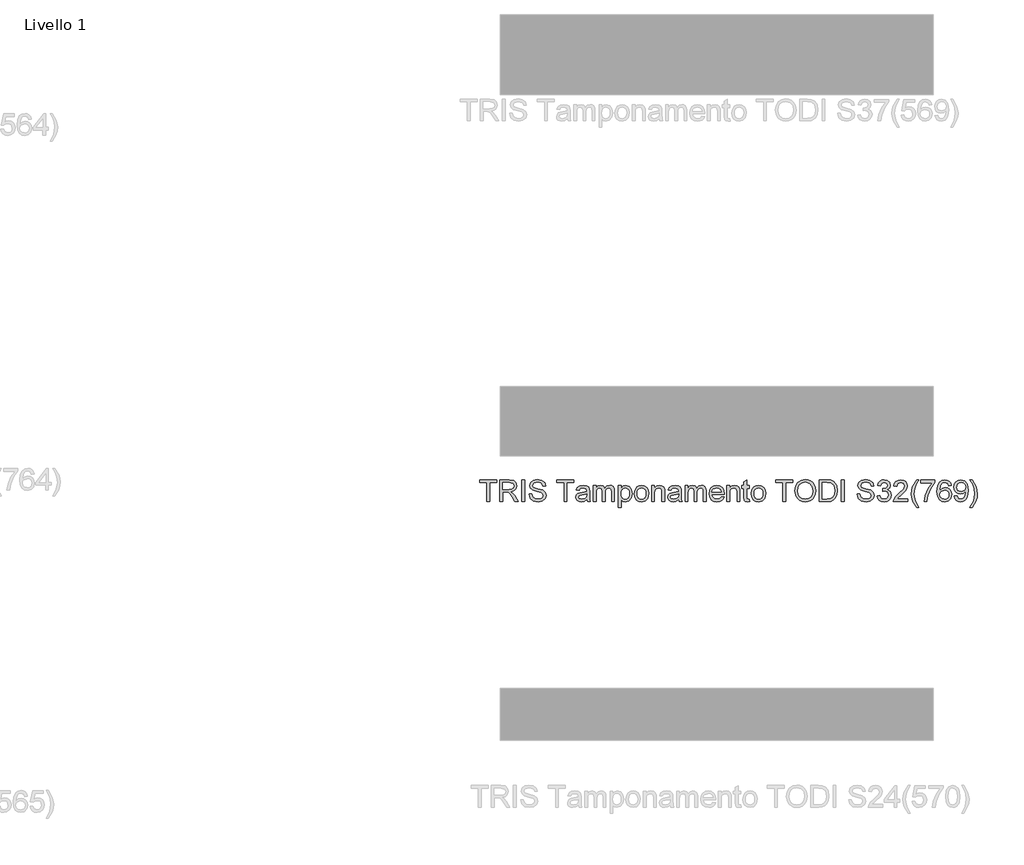
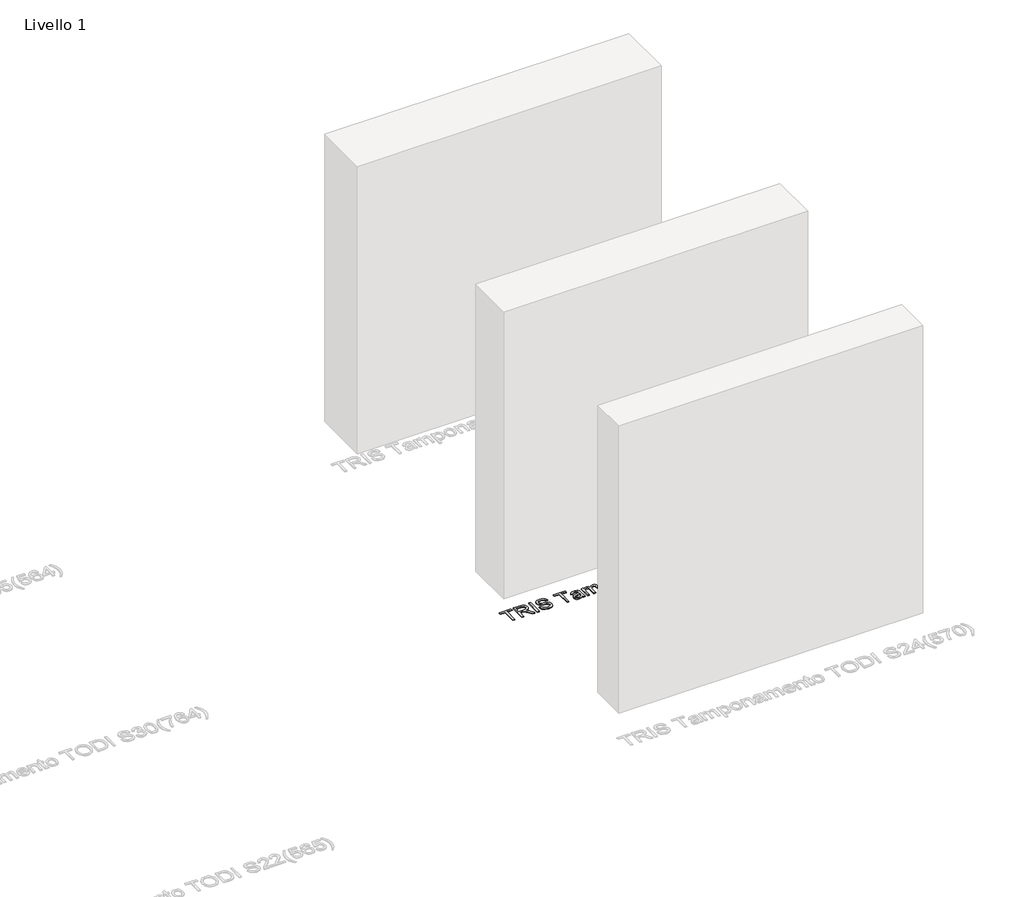
# One storey, part 7 of 18: 1 proxy.
"""IFC4 building model written with IfcOpenShell, lengths in millimetres."""

from ifc_helpers import new_model, si_unit, origin, origin_with_axes, place, context, project, spatial, polyline, outline, extrude, element, save

model = new_model("IFC4")

# Units and contexts
model_context = context("Model", 3, world=origin())
ifc_project = project(units=[si_unit("LENGTHUNIT", "METRE", prefix="MILLI")], contexts=[model_context])

# Site, building, storey
site = spatial("IfcSite", under=ifc_project)
building = spatial("IfcBuilding", under=site)
storey = spatial("IfcBuildingStorey", under=building, Name="Livello 1", Elevation=0.0)

# Proxy
placement = place(None, origin())
element("IfcBuildingElementProxy", 1, Name="100", ObjectType="100", at=placement, inside=storey, context=model_context, shape_type="SweptSolid", body=[
    extrude(outline(polyline([(-1281.0445428, -1767.3811338), (-1281.0445428, -1679.4818624), (-1314.0067696, -1679.4818624), (-1314.0067696, -1666.9248236), (-1235.5252773, -1666.9248236), (-1235.5252773, -1679.4818624), (-1268.4875041, -1679.4818624), (-1268.4875041, -1767.3811338), (-1281.0445428, -1767.3811338)])), origin_with_axes(), (0.0, 0.0, 1.0), 5.0),
    extrude(outline(polyline([(-1221.3986087, -1767.3811338), (-1221.3986087, -1666.9248236), (-1178.1111606, -1666.9248236), (-1158.0125409, -1669.6348877), (-1147.025132, -1679.224345), (-1142.9171164, -1694.4178714), (-1144.6185706, -1704.3138971), (-1149.7229333, -1712.5176656), (-1158.3834886, -1718.5325362), (-1170.7535207, -1721.8618682), (-1163.61661, -1727.2329454), (-1153.4385415, -1740.1578661), (-1136.6876479, -1767.3811338), (-1151.2803004, -1767.3811338), (-1164.352374, -1746.5590128), (-1173.7946785, -1732.7757008), (-1180.4288172, -1726.2641894), (-1186.4007682, -1723.8729565), (-1193.6848317, -1723.4314981), (-1208.8415699, -1723.4314981), (-1208.8415699, -1767.3811338), (-1221.3986087, -1767.3811338)]), holes=[polyline([(-1208.8415699, -1710.8744593), (-1180.7353855, -1710.8744593), (-1166.4002504, -1709.096363), (-1158.2577956, -1703.4064548), (-1155.4741552, -1694.8838553), (-1160.7839186, -1683.8228699), (-1177.5716003, -1679.4818624), (-1208.8415699, -1679.4818624), (-1208.8415699, -1710.8744593)])]), origin_with_axes(), (0.0, 0.0, 1.0), 5.0),
    extrude(outline(polyline([(-1119.3726687, -1767.3811338), (-1119.3726687, -1666.9248236), (-1106.8156299, -1666.9248236), (-1106.8156299, -1767.3811338), (-1119.3726687, -1767.3811338)])), origin_with_axes(), (0.0, 0.0, 1.0), 5.0),
    extrude(outline(polyline([(-1086.4104419, -1732.8492772), (-1073.8534032, -1732.8492772), (-1069.8067012, -1745.4185787), (-1059.9229383, -1753.3648298), (-1044.8643019, -1756.3937249), (-1031.7431774, -1754.1005938), (-1023.2696288, -1747.7975489), (-1020.4859884, -1739.3730512), (-1022.570653, -1731.5371647), (-1031.1055153, -1725.8349938), (-1049.3892505, -1721.0402651), (-1069.0709372, -1714.8475849), (-1079.7517778, -1705.5033822), (-1083.2711822, -1693.0199198), (-1078.917912, -1678.8074121), (-1066.2014577, -1668.7764963), (-1047.5866287, -1665.3551938), (-1027.721001, -1668.9359119), (-1014.4772491, -1679.4573369), (-1009.4985795, -1695.1781609), (-1022.0556182, -1695.1781609), (-1024.3610121, -1687.6856309), (-1029.1680035, -1682.2777656), (-1047.0961194, -1677.9122325), (-1065.0732862, -1682.2287146), (-1070.7141435, -1692.6520378), (-1066.7164925, -1701.3585784), (-1046.2132026, -1708.3728618), (-1023.9931301, -1714.6759066), (-1011.8407615, -1724.8539751), (-1007.9289496, -1739.0542201), (-1012.4293727, -1754.0760683), (-1025.3788189, -1765.0389517), (-1044.3737926, -1768.9507636), (-1066.8023316, -1764.7323834), (-1080.9903139, -1752.0281918), (-1086.4104419, -1732.8492772)])), origin_with_axes(), (0.0, 0.0, 1.0), 5.0),
    extrude(outline(polyline([(-924.7385678, -1767.3811338), (-924.7385678, -1679.4818624), (-957.7007946, -1679.4818624), (-957.7007946, -1666.9248236), (-879.2193022, -1666.9248236), (-879.2193022, -1679.4818624), (-912.181529, -1679.4818624), (-912.181529, -1767.3811338), (-924.7385678, -1767.3811338)])), origin_with_axes(), (0.0, 0.0, 1.0), 5.0),
    extrude(outline(polyline([(-819.5733681, -1757.9633547), (-831.7502621, -1766.4736915), (-845.2024804, -1768.9507636), (-855.6963143, -1767.4608415), (-863.4371647, -1762.9910753), (-868.2104335, -1756.2036525), (-869.8015232, -1747.7607607), (-867.3980275, -1737.8279468), (-861.0827199, -1730.6174597), (-852.2903402, -1726.4971814), (-841.4255586, -1724.6087205), (-819.6469445, -1720.2922384), (-819.5733681, -1717.4963352), (-823.0314589, -1708.225709), (-836.9128728, -1704.5959399), (-849.6170644, -1707.0116984), (-855.6748546, -1715.5833489), (-868.2318933, -1714.013719), (-862.7995025, -1701.7509858), (-851.8611445, -1694.5650242), (-835.294192, -1692.0389012), (-820.0761402, -1694.2707186), (-811.4799642, -1699.8747877), (-807.629466, -1708.3973872), (-807.0163293, -1719.3847961), (-807.0163293, -1735.0075182), (-806.3786672, -1756.8229205), (-803.8770696, -1767.3811338), (-816.4341084, -1767.3811338), (-819.5733681, -1757.9633547)]), holes=[polyline([(-819.5733681, -1732.8492772), (-839.8314033, -1736.6997754), (-850.6348712, -1738.7353891), (-855.5277018, -1742.046327), (-857.2444844, -1746.8778439), (-853.5043508, -1753.6713981), (-842.5292046, -1756.3937249), (-829.825013, -1753.3893552), (-821.6335073, -1746.1175545), (-819.6469445, -1736.4054698), (-819.5733681, -1732.8492772)])]), origin_with_axes(), (0.0, 0.0, 1.0), 5.0),
    extrude(outline(polyline([(-789.750401, -1767.3811338), (-789.750401, -1693.608531), (-777.1933623, -1693.608531), (-777.1933623, -1705.7486369), (-768.5603981, -1695.8035602), (-756.2731395, -1692.0389012), (-743.6915752, -1695.8771366), (-736.7753937, -1706.6315536), (-726.9774699, -1695.6870643), (-714.6043721, -1692.0389012), (-705.1651333, -1693.5564144), (-698.1845724, -1698.1089541), (-693.871156, -1705.8191476), (-692.4333506, -1716.8096222), (-692.4333506, -1767.3811338), (-704.9903893, -1767.3811338), (-704.9903893, -1722.2052248), (-706.155349, -1711.7205879), (-710.3737292, -1706.5579772), (-717.5474281, -1704.5959399), (-729.8960004, -1709.6236605), (-733.5840174, -1716.1658287), (-734.8133564, -1725.7368919), (-734.8133564, -1767.3811338), (-747.3703952, -1767.3811338), (-747.3703952, -1720.8072732), (-750.2766629, -1708.6426419), (-759.8048066, -1704.5959399), (-769.0999584, -1707.2937412), (-775.2803759, -1715.1909414), (-777.1933623, -1730.1760013), (-777.1933623, -1767.3811338), (-789.750401, -1767.3811338)])), origin_with_axes(), (0.0, 0.0, 1.0), 5.0),
    extrude(outline(polyline([(-673.5977924, -1795.634471), (-673.5977924, -1693.608531), (-661.0407536, -1693.608531), (-661.0407536, -1705.9203151), (-652.3587386, -1695.5092547), (-640.6355656, -1692.0389012), (-624.718538, -1696.8949435), (-614.3197403, -1710.5801537), (-610.8125986, -1729.9307467), (-614.7734614, -1750.274621), (-626.2759051, -1764.1315095), (-642.1561446, -1768.9507636), (-653.0822398, -1765.7256648), (-661.0407536, -1757.5709472), (-661.0407536, -1795.634471), (-673.5977924, -1795.634471)]), holes=[polyline([(-661.0407536, -1731.0834436), (-659.6826559, -1742.3406326), (-655.6083628, -1750.2133073), (-649.5965579, -1754.8486205), (-642.4259247, -1756.3937249), (-635.1387955, -1754.7934382), (-628.9737064, -1749.9925781), (-624.7706546, -1741.8317292), (-623.3696373, -1730.1514759), (-624.7369321, -1718.9556005), (-628.8388163, -1710.9725612), (-634.8414242, -1706.1900952), (-641.9108899, -1704.5959399), (-649.0079467, -1706.2912628), (-655.2404809, -1711.3772314), (-659.5906854, -1719.6944302), (-661.0407536, -1731.0834436)])]), origin_with_axes(), (0.0, 0.0, 1.0), 5.0),
    extrude(outline(polyline([(-599.8251896, -1730.4948324), (-597.1089942, -1712.7077379), (-588.9604081, -1700.2058815), (-578.8927041, -1694.0806462), (-566.8384374, -1692.0389012), (-553.6468022, -1694.5251703), (-543.1100487, -1701.9839778), (-536.2030643, -1713.8267123), (-533.9007361, -1729.4647628), (-537.9719635, -1751.8074626), (-549.8300265, -1764.4503405), (-566.8384374, -1768.9507636), (-580.1894882, -1766.4736915), (-590.7139789, -1759.0424752), (-597.547387, -1746.9514203), (-599.8251896, -1730.4948324)]), holes=[polyline([(-587.2681509, -1730.4703069), (-585.815017, -1741.8347949), (-581.4556154, -1749.9312645), (-574.8950531, -1754.7781098), (-566.8384374, -1756.3937249), (-558.8186099, -1754.7689127), (-552.2703104, -1749.8944763), (-547.9109088, -1741.6907078), (-546.4577749, -1730.0778995), (-547.9201058, -1719.0445053), (-552.3070986, -1711.0584003), (-558.8645952, -1706.211555), (-566.8384374, -1704.5959399), (-574.8950531, -1706.2054237), (-581.4556154, -1711.0338748), (-585.815017, -1719.1119503), (-587.2681509, -1730.4703069)])]), origin_with_axes(), (0.0, 0.0, 1.0), 5.0),
    extrude(outline(polyline([(-519.7740675, -1767.3811338), (-519.7740675, -1693.608531), (-507.2170287, -1693.608531), (-507.2170287, -1703.9092269), (-497.6153087, -1695.0064826), (-484.5064469, -1692.0389012), (-472.6483839, -1694.4301341), (-464.55498, -1700.7086535), (-460.7903209, -1709.9424916), (-460.1281333, -1722.0825974), (-460.1281333, -1767.3811338), (-472.6851721, -1767.3811338), (-472.6851721, -1723.7748546), (-474.1321746, -1712.6648184), (-479.2457344, -1706.7909692), (-487.8664358, -1704.5959399), (-501.4903323, -1709.5255587), (-505.7853546, -1716.6686007), (-507.2170287, -1728.2384895), (-507.2170287, -1767.3811338), (-519.7740675, -1767.3811338)])), origin_with_axes(), (0.0, 0.0, 1.0), 5.0),
    extrude(outline(polyline([(-395.7733097, -1757.9633547), (-407.9502037, -1766.4736915), (-421.402422, -1768.9507636), (-431.8962559, -1767.4608415), (-439.6371062, -1762.9910753), (-444.4103751, -1756.2036525), (-446.0014647, -1747.7607607), (-443.597969, -1737.8279468), (-437.2826614, -1730.6174597), (-428.4902818, -1726.4971814), (-417.6255002, -1724.6087205), (-395.8468861, -1720.2922384), (-395.7733097, -1717.4963352), (-399.2314004, -1708.225709), (-413.1128144, -1704.5959399), (-425.8170059, -1707.0116984), (-431.8747961, -1715.5833489), (-444.4318349, -1714.013719), (-438.9994441, -1701.7509858), (-428.0610861, -1694.5650242), (-411.4941336, -1692.0389012), (-396.2760817, -1694.2707186), (-387.6799058, -1699.8747877), (-383.8294075, -1708.3973872), (-383.2162709, -1719.3847961), (-383.2162709, -1735.0075182), (-382.5786088, -1756.8229205), (-380.0770112, -1767.3811338), (-392.63405, -1767.3811338), (-395.7733097, -1757.9633547)]), holes=[polyline([(-395.7733097, -1732.8492772), (-416.0313449, -1736.6997754), (-426.8348128, -1738.7353891), (-431.7276433, -1742.046327), (-433.444426, -1746.8778439), (-429.7042923, -1753.6713981), (-418.7291462, -1756.3937249), (-406.0249546, -1753.3893552), (-397.8334488, -1746.1175545), (-395.8468861, -1736.4054698), (-395.7733097, -1732.8492772)])]), origin_with_axes(), (0.0, 0.0, 1.0), 5.0),
    extrude(outline(polyline([(-365.9503426, -1767.3811338), (-365.9503426, -1693.608531), (-353.3933038, -1693.608531), (-353.3933038, -1705.7486369), (-344.7603397, -1695.8035602), (-332.473081, -1692.0389012), (-319.8915168, -1695.8771366), (-312.9753353, -1706.6315536), (-303.1774115, -1695.6870643), (-290.8043137, -1692.0389012), (-281.3650748, -1693.5564144), (-274.384514, -1698.1089541), (-270.0710976, -1705.8191476), (-268.6332921, -1716.8096222), (-268.6332921, -1767.3811338), (-281.1903309, -1767.3811338), (-281.1903309, -1722.2052248), (-282.3552905, -1711.7205879), (-286.5736708, -1706.5579772), (-293.7473697, -1704.5959399), (-306.095942, -1709.6236605), (-309.783959, -1716.1658287), (-311.013298, -1725.7368919), (-311.013298, -1767.3811338), (-323.5703367, -1767.3811338), (-323.5703367, -1720.8072732), (-326.4766045, -1708.6426419), (-336.0047482, -1704.5959399), (-345.2998999, -1707.2937412), (-351.4803174, -1715.1909414), (-353.3933038, -1730.1760013), (-353.3933038, -1767.3811338), (-365.9503426, -1767.3811338)])), origin_with_axes(), (0.0, 0.0, 1.0), 5.0),
    extrude(outline(polyline([(-198.1471018, -1745.4063159), (-185.8353177, -1746.9759458), (-190.2713615, -1756.2527034), (-197.3500242, -1763.187279), (-206.9118904, -1767.5098925), (-218.7975445, -1768.9507636), (-233.5312184, -1766.4644945), (-244.8681152, -1759.005687), (-252.0969964, -1747.0587192), (-254.5066235, -1731.1079691), (-252.072471, -1714.6207243), (-244.7700134, -1702.2905461), (-233.5864007, -1694.6018124), (-219.508783, -1692.0389012), (-205.8695581, -1694.595681), (-194.971054, -1702.2660206), (-187.8249462, -1714.5716734), (-185.4429103, -1731.0343927), (-185.5164867, -1734.418907), (-241.9495847, -1734.418907), (-239.7760153, -1743.818292), (-234.7268349, -1750.7283421), (-227.4397057, -1754.9773792), (-218.5522898, -1756.3937249), (-206.2405057, -1753.7695), (-198.1471018, -1745.4063159)]), holes=[polyline([(-241.9495847, -1721.8618682), (-197.999949, -1721.8618682), (-203.0276696, -1710.4820519), (-210.3485214, -1706.0674679), (-219.557834, -1704.5959399), (-235.0211405, -1709.2925667), (-239.8863799, -1714.7832055), (-241.9495847, -1721.8618682)])]), origin_with_axes(), (0.0, 0.0, 1.0), 5.0),
    extrude(outline(polyline([(-172.8858715, -1767.3811338), (-172.8858715, -1693.608531), (-160.3288327, -1693.608531), (-160.3288327, -1703.9092269), (-150.7271127, -1695.0064826), (-137.6182509, -1692.0389012), (-125.7601879, -1694.4301341), (-117.666784, -1700.7086535), (-113.9021249, -1709.9424916), (-113.2399374, -1722.0825974), (-113.2399374, -1767.3811338), (-125.7969761, -1767.3811338), (-125.7969761, -1723.7748546), (-127.2439786, -1712.6648184), (-132.3575384, -1706.7909692), (-140.9782398, -1704.5959399), (-154.6021363, -1709.5255587), (-158.8971586, -1716.6686007), (-160.3288327, -1728.2384895), (-160.3288327, -1767.3811338), (-172.8858715, -1767.3811338)])), origin_with_axes(), (0.0, 0.0, 1.0), 5.0),
    extrude(outline(polyline([(-69.2903017, -1756.9087596), (-67.7206718, -1767.7490158), (-77.1139254, -1768.9507636), (-87.6353505, -1766.866099), (-92.8838003, -1761.39692), (-94.4043792, -1747.147624), (-94.4043792, -1706.1655698), (-103.8221583, -1706.1655698), (-103.8221583, -1693.608531), (-94.4043792, -1693.608531), (-94.4043792, -1675.6804151), (-81.8473404, -1668.2982497), (-81.8473404, -1693.608531), (-69.2903017, -1693.608531), (-69.2903017, -1706.1655698), (-81.8473404, -1706.1655698), (-81.8473404, -1746.779742), (-81.1851528, -1753.2544652), (-79.0391745, -1755.5475963), (-74.7594807, -1756.3937249), (-69.2903017, -1756.9087596)])), origin_with_axes(), (0.0, 0.0, 1.0), 5.0),
    extrude(outline(polyline([(-59.8725226, -1730.4948324), (-57.1563272, -1712.7077379), (-49.007741, -1700.2058815), (-38.9400371, -1694.0806462), (-26.8857704, -1692.0389012), (-13.6941351, -1694.5251703), (-3.1573817, -1701.9839778), (3.7496028, -1713.8267123), (6.0519309, -1729.4647628), (1.9807035, -1751.8074626), (-9.8773594, -1764.4503405), (-26.8857704, -1768.9507636), (-40.2368211, -1766.4736915), (-50.7613118, -1759.0424752), (-57.5947199, -1746.9514203), (-59.8725226, -1730.4948324)]), holes=[polyline([(-47.3154838, -1730.4703069), (-45.8623499, -1741.8347949), (-41.5029483, -1749.9312645), (-34.9423861, -1754.7781098), (-26.8857704, -1756.3937249), (-18.8659429, -1754.7689127), (-12.3176433, -1749.8944763), (-7.9582417, -1741.6907078), (-6.5051078, -1730.0778995), (-7.9674388, -1719.0445053), (-12.3544315, -1711.0584003), (-18.9119281, -1706.211555), (-26.8857704, -1704.5959399), (-34.9423861, -1706.2054237), (-41.5029483, -1711.0338748), (-45.8623499, -1719.1119503), (-47.3154838, -1730.4703069)])]), origin_with_axes(), (0.0, 0.0, 1.0), 5.0),
    extrude(outline(polyline([(86.1030531, -1767.3811338), (86.1030531, -1679.4818624), (53.1408263, -1679.4818624), (53.1408263, -1666.9248236), (131.6223186, -1666.9248236), (131.6223186, -1679.4818624), (98.6600919, -1679.4818624), (98.6600919, -1767.3811338), (86.1030531, -1767.3811338)])), origin_with_axes(), (0.0, 0.0, 1.0), 5.0),
    extrude(outline(polyline([(141.0400977, -1718.4773539), (144.3878239, -1696.2634127), (154.4310023, -1679.4573369), (169.7655502, -1668.8807296), (188.9873844, -1665.3551938), (202.1636912, -1667.0106628), (213.9788346, -1671.9770697), (223.7890212, -1679.9049267), (230.9504573, -1690.4447459), (235.3282531, -1703.0876238), (236.7875183, -1717.324657), (235.251611, -1731.7517625), (230.643889, -1744.5724501), (223.2188041, -1755.1306633), (213.2308079, -1762.7703461), (201.516832, -1767.4056592), (188.913808, -1768.9507636), (175.5351661, -1767.243178), (163.6525777, -1762.1204212), (153.8669166, -1754.0454115), (146.7790568, -1743.4810668), (141.0400977, -1718.4773539)]), holes=[polyline([(153.5971365, -1718.5999812), (156.1079311, -1734.3146738), (163.6403149, -1746.2892327), (174.9618833, -1753.8676018), (188.8402316, -1756.3937249), (202.920915, -1753.8430764), (214.2608775, -1746.1911309), (221.738079, -1733.8486899), (224.2304796, -1717.2265551), (219.9630484, -1696.502536), (207.4918488, -1682.7805376), (189.0609608, -1677.9122325), (175.5535602, -1680.2574803), (164.0695106, -1687.2932234), (156.21523, -1699.8104083), (153.5971365, -1718.5999812)])]), origin_with_axes(), (0.0, 0.0, 1.0), 5.0),
    extrude(outline(polyline([(254.0534466, -1767.3811338), (254.0534466, -1666.9248236), (288.7079306, -1666.9248236), (306.6360465, -1668.3718261), (321.4003772, -1675.5577878), (333.2952284, -1692.7256142), (337.2438285, -1716.6134184), (334.5705526, -1736.8837164), (327.7034221, -1751.5131571), (318.5308976, -1760.6243678), (306.5256819, -1765.6643511), (290.3756623, -1767.3811338), (254.0534466, -1767.3811338)]), holes=[polyline([(266.6104854, -1754.824095), (288.8305579, -1754.824095), (304.9928402, -1753.0092105), (314.3125174, -1747.883388), (321.9522002, -1735.4121884), (324.6867897, -1716.4172147), (323.3470861, -1702.7320045), (319.3279753, -1692.6275124), (306.2926899, -1681.4929506), (288.4872014, -1679.4818624), (266.6104854, -1679.4818624), (266.6104854, -1754.824095)])]), origin_with_axes(), (0.0, 0.0, 1.0), 5.0),
    extrude(outline(polyline([(356.0793866, -1767.3811338), (356.0793866, -1666.9248236), (368.6364254, -1666.9248236), (368.6364254, -1767.3811338), (356.0793866, -1767.3811338)])), origin_with_axes(), (0.0, 0.0, 1.0), 5.0),
    extrude(outline(polyline([(428.2823595, -1732.8492772), (440.8393983, -1732.8492772), (444.8861003, -1745.4185787), (454.7698632, -1753.3648298), (469.8284995, -1756.3937249), (482.949624, -1754.1005938), (491.4231726, -1747.7975489), (494.2068131, -1739.3730512), (492.1221484, -1731.5371647), (483.5872862, -1725.8349938), (465.303551, -1721.0402651), (445.6218642, -1714.8475849), (434.9410237, -1705.5033822), (431.4216192, -1693.0199198), (435.7748895, -1678.8074121), (448.4913438, -1668.7764963), (467.1061728, -1665.3551938), (486.9718005, -1668.9359119), (500.2155523, -1679.4573369), (505.194222, -1695.1781609), (492.6371832, -1695.1781609), (490.3317894, -1687.6856309), (485.524798, -1682.2777656), (467.5966821, -1677.9122325), (449.6195153, -1682.2287146), (443.978658, -1692.6520378), (447.976309, -1701.3585784), (468.4795989, -1708.3728618), (490.6996714, -1714.6759066), (502.85204, -1724.8539751), (506.7638518, -1739.0542201), (502.2634288, -1754.0760683), (489.3139825, -1765.0389517), (470.3190089, -1768.9507636), (447.8904699, -1764.7323834), (433.7024876, -1752.0281918), (428.2823595, -1732.8492772)])), origin_with_axes(), (0.0, 0.0, 1.0), 5.0),
    extrude(outline(polyline([(520.8905205, -1740.6974264), (533.4475592, -1739.1277965), (540.3760035, -1752.3470229), (553.3377124, -1756.3937249), (561.9461511, -1755.0019046), (568.5925525, -1750.826444), (574.2579352, -1737.0431319), (568.6416034, -1724.0568975), (554.367782, -1718.9188123), (545.5631396, -1720.2922384), (546.9610912, -1707.7351996), (548.9721794, -1707.8823524), (563.2214754, -1704.2771089), (567.9671531, -1699.7031094), (569.5490457, -1693.1915981), (564.9627835, -1683.3691488), (553.1415087, -1679.4818624), (541.1730811, -1683.405937), (535.0171891, -1695.1781609), (522.4601503, -1693.608531), (526.1573644, -1682.3329479), (532.7363207, -1673.9145815), (541.7371669, -1668.6722631), (552.7000503, -1666.9248236), (567.8445258, -1670.3706516), (578.4395272, -1679.7884307), (582.1060845, -1692.4558341), (578.6234682, -1704.0318542), (568.3227724, -1712.3459873), (582.0079826, -1720.9299005), (586.814974, -1737.2638611), (584.4114783, -1749.5020688), (577.2009912, -1759.7291883), (566.3178155, -1766.6453698), (552.896254, -1768.9507636), (540.7561482, -1766.9825949), (530.8723853, -1761.0780889), (523.9991233, -1752.0465859), (520.8905205, -1740.6974264)])), origin_with_axes(), (0.0, 0.0, 1.0), 5.0),
    extrude(outline(polyline([(662.1572066, -1754.824095), (662.1572066, -1767.3811338), (596.2327531, -1767.3811338), (597.5816537, -1758.7236442), (605.2090738, -1745.3940532), (620.9298977, -1730.8381889), (642.6104099, -1709.9179661), (648.030538, -1695.6931956), (642.9169783, -1684.1784892), (629.5628618, -1679.4818624), (615.6446597, -1684.0681246), (610.3594217, -1696.7477907), (597.8023829, -1695.1781609), (600.8466064, -1683.0319236), (607.4286285, -1674.1598362), (617.2050925, -1668.7335768), (629.832642, -1666.9248236), (642.5521619, -1668.9359119), (652.3102319, -1674.9691766), (658.5182405, -1683.9822855), (660.5875768, -1694.9329062), (658.3557593, -1706.8400201), (650.9368058, -1719.1518042), (632.9473762, -1736.3564188), (618.5018765, -1748.435211), (612.8364938, -1754.824095), (662.1572066, -1754.824095)])), origin_with_axes(), (0.0, 0.0, 1.0), 5.0),
    extrude(outline(polyline([(702.9675826, -1795.634471), (685.1375686, -1766.1793859), (679.6745209, -1748.9992968), (677.8535051, -1731.2060709), (683.2981586, -1700.6718653), (702.9675826, -1666.9248236), (712.3853617, -1666.9248236), (700.6376633, -1686.8149768), (693.574329, -1706.0919934), (690.4105438, -1731.2796473), (695.9042483, -1763.4693219), (712.3853617, -1795.634471), (702.9675826, -1795.634471)])), origin_with_axes(), (0.0, 0.0, 1.0), 5.0),
    extrude(outline(polyline([(721.8031408, -1681.0514922), (721.8031408, -1668.4944535), (787.7275943, -1668.4944535), (787.7275943, -1678.6479965), (769.0269262, -1705.6627977), (754.7163166, -1740.0842897), (750.056478, -1767.3811338), (737.4994392, -1767.3811338), (742.4903716, -1739.0542201), (756.1878446, -1707.0362238), (775.1705555, -1681.0514922), (721.8031408, -1681.0514922)])), origin_with_axes(), (0.0, 0.0, 1.0), 5.0),
    extrude(outline(polyline([(863.0698269, -1693.608531), (850.5127881, -1695.1781609), (845.7548477, -1684.7057867), (833.1732834, -1679.4818624), (821.842518, -1682.5230202), (813.2708675, -1693.9396248), (809.7024121, -1716.3191128), (820.7756602, -1706.3004598), (834.4976586, -1703.0263101), (846.0982042, -1705.2642589), (855.8348143, -1711.9781053), (862.4382962, -1722.2358816), (864.6394568, -1735.1056201), (860.4946529, -1752.432862), (849.0903111, -1764.6955952), (832.6337232, -1768.9507636), (818.3874929, -1766.130335), (807.041399, -1757.6690491), (799.6193798, -1742.7330401), (797.1453734, -1720.4884421), (799.8922256, -1695.4785978), (808.1327823, -1678.3782164), (819.38384, -1669.7881718), (833.9580984, -1666.9248236), (844.9761641, -1668.6967886), (853.7992006, -1674.0126834), (859.9796181, -1682.4555752), (863.0698269, -1693.608531)]), holes=[polyline([(809.7024121, -1734.9094163), (812.6086799, -1745.7864607), (820.3342018, -1753.6836608), (831.6527045, -1756.3937249), (839.9392465, -1754.9896419), (846.4538235, -1750.7773931), (850.6752694, -1744.1555171), (852.082418, -1735.522553), (850.6936635, -1727.2360111), (846.5273999, -1720.9176378), (839.9024583, -1716.9169211), (831.1376697, -1715.5833489), (815.9441433, -1720.9176378), (811.2628449, -1727.0827269), (809.7024121, -1734.9094163)])]), origin_with_axes(), (0.0, 0.0, 1.0), 5.0),
    extrude(outline(polyline([(877.1964955, -1742.2670562), (889.7535343, -1740.6974264), (895.3943916, -1752.6781167), (906.0874949, -1756.3937249), (916.2533007, -1754.0024919), (923.1449567, -1747.6136079), (927.2529723, -1736.6997754), (929.0678568, -1722.1316484), (928.9942804, -1719.6791017), (918.951102, -1729.1949827), (905.1800526, -1732.8492772), (893.7297255, -1730.6174597), (884.1985162, -1723.9220074), (877.7697783, -1713.578392), (875.6268657, -1700.4020852), (877.8740115, -1686.7904514), (884.6154491, -1676.1218735), (894.741401, -1669.2240861), (907.1420899, -1666.9248236), (925.0334176, -1672.1732734), (937.3452017, -1687.1338079), (941.5513192, -1715.2399923), (937.3574645, -1745.7374097), (932.1427372, -1755.7284716), (924.8862648, -1763.0156008), (915.9007471, -1767.4669729), (905.4988837, -1768.9507636), (894.7628608, -1767.2002585), (886.1973417, -1761.948743), (880.2069965, -1753.527311), (877.1964955, -1742.2670562)]), holes=[polyline([(928.9942804, -1700.1077796), (927.6392484, -1691.5974428), (923.5741524, -1685.0491433), (917.2649762, -1680.8736826), (909.1777036, -1679.4818624), (900.7899941, -1680.9809815), (894.0700164, -1685.4783389), (889.6554324, -1692.3607979), (888.1839044, -1701.0152218), (889.5757247, -1708.7744663), (893.7511853, -1714.933424), (900.3056162, -1718.9525348), (908.8343471, -1720.2922384), (923.316635, -1714.933424), (927.5748691, -1708.5476057), (928.9942804, -1700.1077796)])]), origin_with_axes(), (0.0, 0.0, 1.0), 5.0),
    extrude(outline(polyline([(958.8172475, -1795.634471), (949.3994684, -1795.634471), (965.8805818, -1763.4693219), (971.3742863, -1731.2796473), (968.2105011, -1706.3127226), (961.2207432, -1687.0111806), (949.3994684, -1666.9248236), (958.8172475, -1666.9248236), (978.4866715, -1700.6718653), (983.9313251, -1731.2060709), (982.1011121, -1748.9992968), (976.6104734, -1766.1793859), (958.8172475, -1795.634471)])), origin_with_axes(), (0.0, 0.0, 1.0), 5.0),
])

save(model, "model.ifc")
